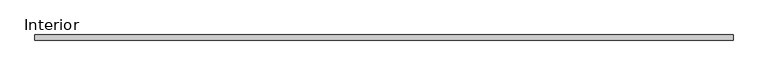
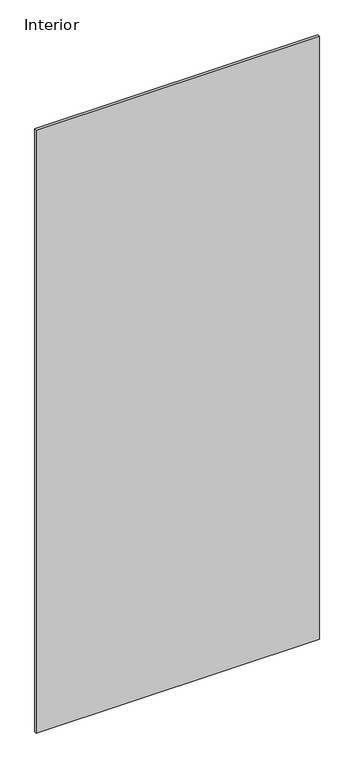
"""IFC4 building model written with IfcOpenShell, lengths in millimetres: plate geometry, Interior."""

from ifc_helpers import new_model, si_unit, origin, origin_with_axes, place, context, project, spatial, polyline, outline, extrude, source, transform, mapped, element, save


def interior_c76be632(model_context):
    return source(origin(), model_context, "Body", "SweptSolid", [
        extrude(outline(polyline([(609.6, -41.275), (-609.6, -41.275), (-609.6, -31.75), (609.6, -31.75), (609.6, -41.275)])), origin_with_axes(), (0.0, 0.0, 1.0), 2743.2),
    ])


if __name__ == "__main__":
    model = new_model("IFC4")
    model_context = context("Model", 3, world=origin())
    ifc_project = project(units=[si_unit("LENGTHUNIT", "METRE", prefix="MILLI")], contexts=[model_context])
    site = spatial("IfcSite", under=ifc_project)
    building = spatial("IfcBuilding", under=site)
    placement = place(None, origin())
    interior_shape = interior_c76be632(model_context)
    element("IfcPlate", 1, ObjectType="Interior", at=placement, inside=building, context=model_context, shape_type="MappedRepresentation", body=[
        mapped(interior_shape, transform((0.0, 0.0, 0.0), x_axis=(1.0, 0.0, 0.0), y_axis=(0.0, 1.0, 0.0), z_axis=(0.0, 0.0, 1.0))),
    ])
    save(model, "model.ifc")
